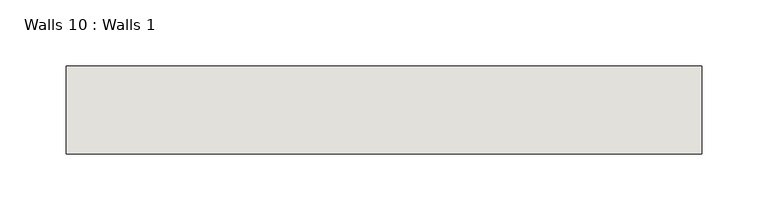
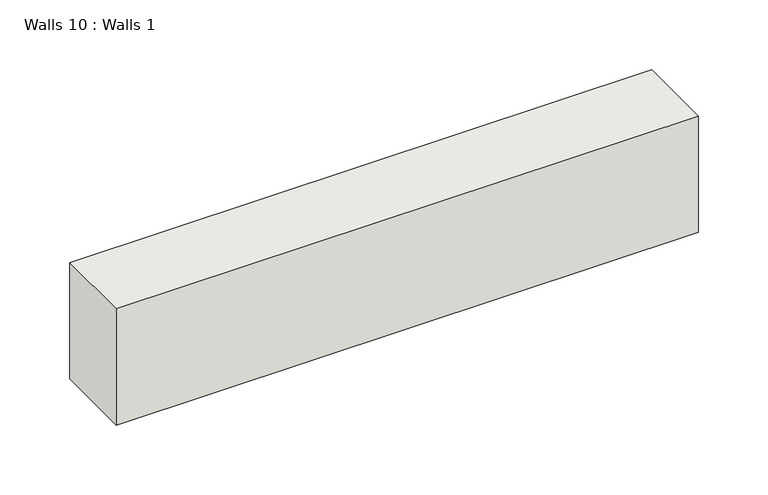
"""IFC4 building model written with IfcOpenShell, lengths in millimetres: wall geometry, Walls 10 : Walls 1."""

from ifc_helpers import new_model, si_unit, frame, origin, place, context, project, spatial, polyline, outline, extrude, source, transform, mapped, element, save


def walls_10_walls_1_498866b3(model_context):
    return source(origin(), model_context, "Body", "SweptSolid", [
        extrude(outline(polyline([(176564.6448613, -28823.9743465), (176564.6448613, -28890.3680894), (176084.2810062, -28890.3680894), (176084.2810062, -28823.9743465), (176564.6448613, -28823.9743465)])), frame((0.0, 0.0, 6997.7), z_axis=(0.0, 0.0, 1.0), x_axis=(1.0, 0.0, 0.0)), (0.0, 0.0, 1.0), 101.6),
    ])


if __name__ == "__main__":
    model = new_model("IFC4")
    model_context = context("Model", 3, world=origin())
    ifc_project = project(units=[si_unit("LENGTHUNIT", "METRE", prefix="MILLI")], contexts=[model_context])
    site = spatial("IfcSite", under=ifc_project)
    building = spatial("IfcBuilding", under=site)
    placement = place(None, origin())
    walls_10_walls_1_shape = walls_10_walls_1_498866b3(model_context)
    element("IfcWall", 1, ObjectType="Walls 10 : Walls 1", at=placement, inside=building, context=model_context, shape_type="MappedRepresentation", body=[
        mapped(walls_10_walls_1_shape, transform((0.0, 0.0, 0.0), x_axis=(1.0, 0.0, 0.0), y_axis=(0.0, 1.0, 0.0), z_axis=(0.0, 0.0, 1.0))),
    ])
    save(model, "model.ifc")
